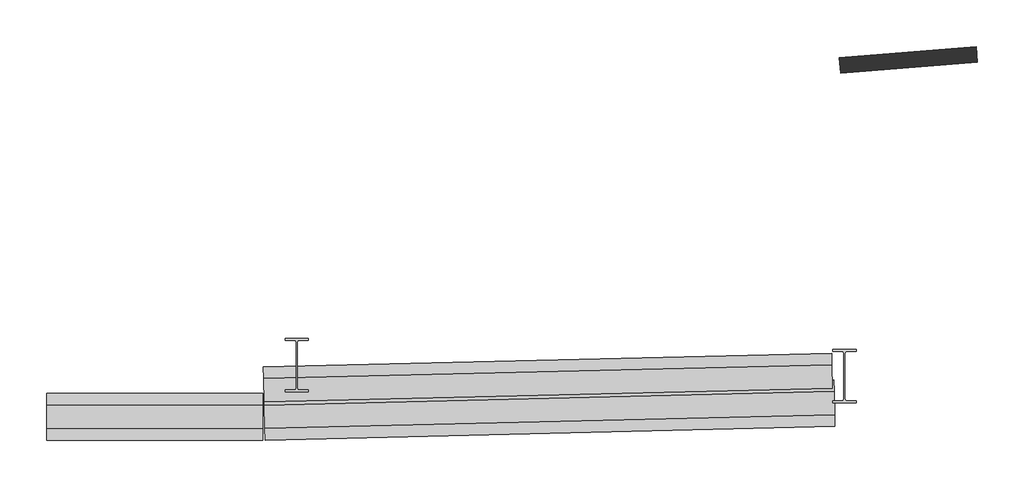
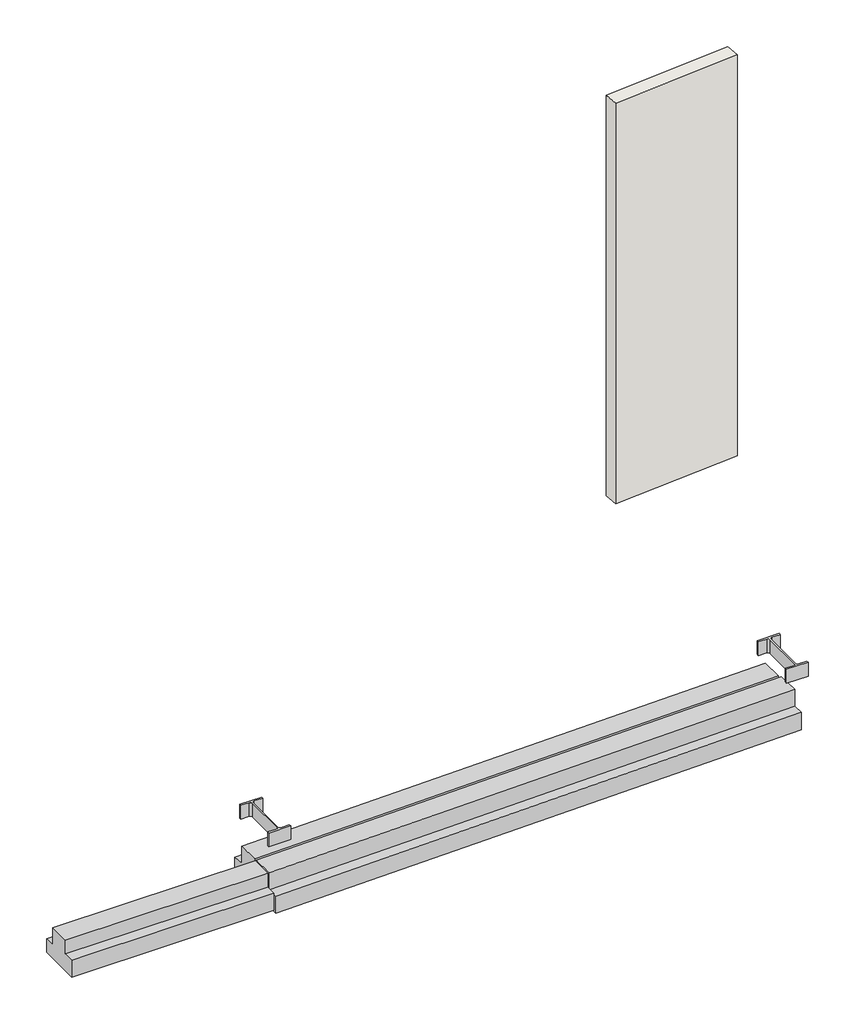
# One storey, part 2 of 3: 3 beams, 2 columns, 1 wall.
"""IFC4 building model written with IfcOpenShell, lengths in millimetres."""

import ifcopenshell
import ifcopenshell.guid

model = None  # the IFC model being written
_history = None  # IfcOwnerHistory: only IFC2X3 demands one
_inside = {}  # id of a spatial element -> (the spatial element, [elements in it])
_under = {}  # id of a project, library or spatial element -> (it, [spatial elements below it])
_declared = {}  # id of a project -> (the project, [libraries it declares])
_typed = {}  # id of a type object -> (the type object, [elements of that type])
_made_of = {}  # id of a material, layer set ... -> (it, [elements and type objects made of it])


def new_model(schema):
    """Start an empty IFC model of exactly this schema.

    Asked for "IFC4X3", IfcOpenShell would pick the latest addendum, in which some entities
    have other attributes; the version numbers below select the first issue.
    IFC2X3 requires an IfcOwnerHistory on every rooted entity: one is made here for all.
    """
    global model, _history
    if schema == "IFC4X3":
        model = ifcopenshell.file(schema_version=(4, 3, 0, 0))
    else:
        model = ifcopenshell.file(schema=schema)
    _inside.clear()
    _under.clear()
    _declared.clear()
    _typed.clear()
    _made_of.clear()
    _history = None
    if model.schema == "IFC2X3":
        org = make("IfcOrganization", Name="unknown")
        user = make(
            "IfcPersonAndOrganization",
            ThePerson=make("IfcPerson", FamilyName="unknown"),
            TheOrganization=org,
        )
        app = make(
            "IfcApplication",
            ApplicationDeveloper=org,
            Version="unknown",
            ApplicationFullName="unknown",
            ApplicationIdentifier="unknown",
        )
        _history = make(
            "IfcOwnerHistory",
            OwningUser=user,
            OwningApplication=app,
            ChangeAction="ADDED",
            CreationDate=0,
        )
    return model


def make(cls, **values):
    """One entity of the class cls with the attributes given. An attribute that is None is left unset."""
    return model.create_entity(
        cls, **{name: value for name, value in values.items() if value is not None}
    )


def rooted(cls, **values):
    """An entity with a GlobalId (a new one), such as an element, a storey or a relation."""
    return make(cls, GlobalId=ifcopenshell.guid.new(), OwnerHistory=_history, **values)


def si_unit(unit_type, name, prefix=None):
    """IfcSIUnit, for example si_unit("LENGTHUNIT", "METRE", prefix="MILLI")."""
    return make("IfcSIUnit", UnitType=unit_type, Prefix=prefix, Name=name)


def assignment(units):
    """IfcUnitAssignment: the units of a project."""
    return None if units is None else make("IfcUnitAssignment", Units=units)


def point(xyz):
    """IfcCartesianPoint."""
    return None if xyz is None else make("IfcCartesianPoint", Coordinates=xyz)


def direction(xyz):
    """IfcDirection."""
    return None if xyz is None else make("IfcDirection", DirectionRatios=xyz)


def frame(location, z_axis=None, x_axis=None):
    """IfcAxis2Placement3D, a coordinate frame: its origin and axes. An axis left out is left unset."""
    return make(
        "IfcAxis2Placement3D",
        Location=point(location),
        Axis=direction(z_axis),
        RefDirection=direction(x_axis),
    )


def frame_2d(location, x_axis=None):
    """IfcAxis2Placement2D, a coordinate frame in the plane: its origin and x axis."""
    return make(
        "IfcAxis2Placement2D", Location=point(location), RefDirection=direction(x_axis)
    )


def origin():
    """The frame at (0, 0, 0) with its axes left unset."""
    return frame((0.0, 0.0, 0.0))


def place(relative_to, where):
    """IfcLocalPlacement: puts the frame where relative to a parent placement (None: the world)."""
    return make(
        "IfcLocalPlacement", PlacementRelTo=relative_to, RelativePlacement=where
    )


def context(
    kind, dimensions, precision=None, world=None, true_north=None, identifier=None
):
    """IfcGeometricRepresentationContext, for example the 3D "Model" context."""
    return make(
        "IfcGeometricRepresentationContext",
        ContextIdentifier=identifier,
        ContextType=kind,
        CoordinateSpaceDimension=dimensions,
        Precision=precision,
        WorldCoordinateSystem=world,
        TrueNorth=true_north,
    )


def project(units=None, contexts=None):
    """IfcProject with its units and contexts."""
    return rooted(
        "IfcProject",
        Name="project",
        RepresentationContexts=contexts,
        UnitsInContext=assignment(units),
    )


def spatial(cls, under=None, at=None, **own):
    """A site, building, storey or space (cls), placed at a placement, below another one or the project."""
    s = rooted(cls, ObjectPlacement=at, **own)
    if under is not None:
        _under.setdefault(under.id(), (under, []))[1].append(s)
    return s


def polyline(points):
    """IfcPolyline through the points."""
    return make("IfcPolyline", Points=[point(p) for p in points])


def circle_curve(where, radius):
    """IfcCircle in the frame where."""
    return make("IfcCircle", Position=where, Radius=radius)


def trimmed(basis, trim1, trim2, sense, master):
    """IfcTrimmedCurve: the piece of a basis curve between two trims."""
    return make(
        "IfcTrimmedCurve",
        BasisCurve=basis,
        Trim1=trim1,
        Trim2=trim2,
        SenseAgreement=sense,
        MasterRepresentation=master,
    )


def segment(curve, same_sense, transition):
    """IfcCompositeCurveSegment."""
    return make(
        "IfcCompositeCurveSegment",
        Transition=transition,
        SameSense=same_sense,
        ParentCurve=curve,
    )


def composite_curve(segments, self_intersect=None):
    """IfcCompositeCurve: segments joined end to end."""
    return make("IfcCompositeCurve", Segments=segments, SelfIntersect=self_intersect)


def outline(outer, holes=None, kind="AREA"):
    """IfcArbitraryClosedProfileDef: a profile drawn as a closed curve; with holes, ...WithVoids."""
    if holes is None:
        return make("IfcArbitraryClosedProfileDef", ProfileType=kind, OuterCurve=outer)
    return make(
        "IfcArbitraryProfileDefWithVoids",
        ProfileType=kind,
        OuterCurve=outer,
        InnerCurves=holes,
    )


def extrude(swept, where, along, depth):
    """IfcExtrudedAreaSolid: the profile swept, set in the frame where, extruded along a direction by depth."""
    return make(
        "IfcExtrudedAreaSolid",
        SweptArea=swept,
        Position=where,
        ExtrudedDirection=direction(along),
        Depth=depth,
    )


def faces_of(points, faces, orient=None, outer=None):
    """IfcFace entities. A face is a list of loops; a loop is a list of indices into points, from 0.

    orient and outer hold one flag for each loop. By default every Orientation is true, the
    first loop of a face is its IfcFaceOuterBound and the others are IfcFaceBound.
    """
    made = []
    for i, loops in enumerate(faces):
        bounds = []
        for j, loop in enumerate(loops):
            is_outer = j == 0 if outer is None else outer[i][j]
            bounds.append(
                make(
                    "IfcFaceOuterBound" if is_outer else "IfcFaceBound",
                    Bound=make("IfcPolyLoop", Polygon=[points[k] for k in loop]),
                    Orientation=True if orient is None else orient[i][j],
                )
            )
        made.append(make("IfcFace", Bounds=bounds))
    return made


def faceted_brep(points, faces, orient=None, outer=None, voids=None):
    """IfcFacetedBrep: a solid bounded by flat faces; with voids (closed shells), ...WithVoids."""
    shared = [point(p) for p in points]
    hull = make("IfcClosedShell", CfsFaces=faces_of(shared, faces, orient, outer))
    if voids is None:
        return make("IfcFacetedBrep", Outer=hull)
    return make(
        "IfcFacetedBrepWithVoids",
        Outer=hull,
        Voids=[
            make(cls, CfsFaces=faces_of(shared, fs, o, b)) for cls, fs, o, b in voids
        ],
    )


def shape(context_of_items, identifier, shape_type, items):
    """IfcShapeRepresentation: the items that make up one representation, for example the "Body"."""
    return make(
        "IfcShapeRepresentation",
        ContextOfItems=context_of_items,
        RepresentationIdentifier=identifier,
        RepresentationType=shape_type,
        Items=items,
    )


def source(mapping_origin, context_of_items, identifier, shape_type, items):
    """IfcRepresentationMap: a shape defined once, which mapped items show again and again."""
    return make(
        "IfcRepresentationMap",
        MappingOrigin=mapping_origin,
        MappedRepresentation=shape(context_of_items, identifier, shape_type, items),
    )


def transform(
    local_origin,
    x_axis=None,
    y_axis=None,
    z_axis=None,
    scale=None,
    scale2=None,
    scale3=None,
    uniform=True,
):
    """IfcCartesianTransformationOperator3D, or its non-uniform kind. x_axis, y_axis, z_axis: its Axis1, 2, 3."""
    if uniform:
        return make(
            "IfcCartesianTransformationOperator3D",
            Axis1=direction(x_axis),
            Axis2=direction(y_axis),
            LocalOrigin=point(local_origin),
            Scale=scale,
            Axis3=direction(z_axis),
        )
    return make(
        "IfcCartesianTransformationOperator3DnonUniform",
        Axis1=direction(x_axis),
        Axis2=direction(y_axis),
        LocalOrigin=point(local_origin),
        Scale=scale,
        Axis3=direction(z_axis),
        Scale2=scale2,
        Scale3=scale3,
    )


def mapped(mapping_source, mapping_target):
    """IfcMappedItem: shows the shape of a source again, moved by a transform."""
    return make(
        "IfcMappedItem", MappingSource=mapping_source, MappingTarget=mapping_target
    )


def made_of(thing, what):
    """Note that an element or type object is made of a material, layer set ...; save() writes the relation."""
    if what is not None:
        _made_of.setdefault(what.id(), (what, []))[1].append(thing)
    return thing


def element(
    cls,
    number,
    at=None,
    inside=None,
    cuts=None,
    type_object=None,
    material=None,
    context=None,
    identifier="Body",
    shape_type=None,
    held_by="IfcProductDefinitionShape",
    body=None,
    shapes=None,
    **own,
):
    """One element of the class cls, such as IfcWall. Its Tag is "e" and its number.

    at: its placement. inside: the storey or other place that contains it. cuts: it is an
    opening in that element (IfcRelVoidsElement). A single representation is given by context,
    identifier, shape_type and body (its items); several are given by shapes. held_by: the class
    of the entity that holds the representations. save() writes the other relations.
    """
    e = rooted(cls, Tag="e%d" % number, ObjectPlacement=at, **own)
    if body is not None:
        shapes = [shape(context, identifier, shape_type, body)]
    if shapes is not None:
        e.Representation = make(held_by, Representations=shapes)
    if inside is not None:
        _inside.setdefault(inside.id(), (inside, []))[1].append(e)
    if cuts is not None:
        rooted(
            "IfcRelVoidsElement", RelatingBuildingElement=cuts, RelatedOpeningElement=e
        )
    if type_object is not None:
        _typed.setdefault(type_object.id(), (type_object, []))[1].append(e)
    return made_of(e, material)


def aggregate(whole, parts):
    """IfcRelAggregates: a whole, such as a stair, and the parts it consists of."""
    return rooted("IfcRelAggregates", RelatingObject=whole, RelatedObjects=parts)


def save(model, path):
    """Write the relations noted so far, then the file.

    IfcRelAggregates (storeys below a building ...), IfcRelContainedInSpatialStructure (elements
    in a storey), IfcRelDefinesByType, IfcRelAssociatesMaterial and IfcRelDeclares: one each for
    every whole, place, type object, material and project.
    """
    for whole, parts in _under.values():
        aggregate(whole, parts)
    for where, things in _inside.values():
        rooted(
            "IfcRelContainedInSpatialStructure",
            RelatedElements=things,
            RelatingStructure=where,
        )
    for kind, things in _typed.values():
        rooted("IfcRelDefinesByType", RelatedObjects=things, RelatingType=kind)
    for what, things in _made_of.values():
        rooted("IfcRelAssociatesMaterial", RelatedObjects=things, RelatingMaterial=what)
    for by, libraries in _declared.values():
        rooted("IfcRelDeclares", RelatingContext=by, RelatedDefinitions=libraries)
    model.write(path)


def precast_inverted_tee_beam_1a250001(model_context):
    return source(origin(), model_context, "Body", "SweptSolid", [
        extrude(outline(polyline([(150.0, 25.0), (300.0, 25.0), (300.0, -225.0), (-300.0, -225.0), (-300.0, -25.0), (-150.0, -25.0), (-150.0, 225.0), (150.0, 225.0), (150.0, 25.0)])), frame((-1380.1390082, 0.0, 0.0), z_axis=(1.0, 0.0, 0.0), x_axis=(0.0, 1.0, 0.0)), (0.0, 0.0, 1.0), 2780.1390082),
    ])


def he700a_8610ff4f(model_context):
    return source(origin(), model_context, "Body", "SweptSolid", [
        extrude(outline(composite_curve([segment(polyline([(150.0, 345.0), (150.0, 318.0), (34.25, 318.0)]), True, "CONTINUOUS"), segment(trimmed(circle_curve(frame_2d((34.25, 291.0)), 27.0), [point((34.25, 318.0))], [point((7.25, 291.0))], True, "CARTESIAN"), True, "CONTINUOUS"), segment(polyline([(7.25, 291.0), (7.25, -291.0)]), True, "CONTINUOUS"), segment(trimmed(circle_curve(frame_2d((34.25, -291.0)), 27.0), [point((7.25, -291.0))], [point((34.25, -318.0))], True, "CARTESIAN"), True, "CONTINUOUS"), segment(polyline([(34.25, -318.0), (150.0, -318.0), (150.0, -345.0), (-150.0, -345.0), (-150.0, -318.0), (-34.25, -318.0)]), True, "CONTINUOUS"), segment(trimmed(circle_curve(frame_2d((-34.25, -291.0)), 27.0), [point((-34.25, -318.0))], [point((-7.25, -291.0))], True, "CARTESIAN"), True, "CONTINUOUS"), segment(polyline([(-7.25, -291.0), (-7.25, 291.0)]), True, "CONTINUOUS"), segment(trimmed(circle_curve(frame_2d((-34.25, 291.0)), 27.0), [point((-7.25, 291.0))], [point((-34.25, 318.0))], True, "CARTESIAN"), True, "CONTINUOUS"), segment(polyline([(-34.25, 318.0), (-150.0, 318.0), (-150.0, 345.0), (150.0, 345.0)]), True, "CONTINUOUS")], self_intersect=False)), frame((0.0, 0.0, -8200.0), z_axis=(0.0, 0.0, 1.0), x_axis=(1.0, 0.0, 0.0)), (0.0, 0.0, 1.0), 200.0),
    ])


model = new_model("IFC4")

# Units and contexts
model_context = context("Model", 3, world=origin())
ifc_project = project(units=[si_unit("LENGTHUNIT", "METRE", prefix="MILLI")], contexts=[model_context])

# Site, building, storey
site = spatial("IfcSite", under=ifc_project)
building = spatial("IfcBuilding", under=site)
storey = spatial("IfcBuildingStorey", under=building, Elevation=-8200.0)

# Beams
placement = place(None, origin())
element("IfcBeam", 1, ObjectType="Precast Inverted Tee Beam", at=placement, inside=storey, context=model_context, shape_type="SweptSolid", body=[
    extrude(outline(polyline([(150.0, 0.0), (150.0, -250.0), (0.0, -250.0), (0.0, -500.0), (-300.0, -500.0), (-300.0, -250.0), (-450.0, -250.0), (-450.0, 0.0), (150.0, 0.0)])), frame((-1918.2459388, 1142.4002566, -8700.0), z_axis=(0.9997150716088726, 0.023869972728654175, 0.0), x_axis=(0.023869972728654175, -0.9997150716088726, 0.0)), (0.0, 0.0, 1.0), 7321.5723576),
])
element("IfcBeam", 2, ObjectType="Precast Inverted Tee Beam", at=placement, inside=storey, context=model_context, shape_type="SweptSolid", body=[
    extrude(outline(polyline([(150.0000001, 0.0), (150.0000001, -250.0), (0.0, -250.0), (0.0, -500.0), (-300.0, -500.0), (-300.0, -250.0), (-450.0, -250.0), (-450.0, 0.0), (150.0000001, 0.0)])), frame((-1924.2832101, 1483.0821888, -8700.0), z_axis=(0.9997150716088726, 0.023869972728654175, 0.0), x_axis=(0.023869972728654175, -0.9997150716088726, 0.0)), (0.0, 0.0, 1.0), 7299.5294384),
])
precast_inverted_tee_beam_shape = precast_inverted_tee_beam_1a250001(model_context)
element("IfcBeam", 3, ObjectType="Precast Inverted Tee Beam", at=placement, inside=storey, context=model_context, shape_type="MappedRepresentation", body=[
    mapped(precast_inverted_tee_beam_shape, transform((-3321.8228161, 1292.3576037, -8425.0), x_axis=(-1.0, 0.0, 0.0), y_axis=(0.0, -1.0, 0.0), z_axis=(0.0, 0.0, 1.0))),
])

# Columns
he700a_shape = he700a_8610ff4f(model_context)
element("IfcColumn", 4, ObjectType="HE700A", at=placement, inside=storey, context=model_context, shape_type="MappedRepresentation", body=[
    mapped(he700a_shape, transform((-1507.1079309, 1955.8187826, 0.0), x_axis=(1.0, 0.0, 0.0), y_axis=(0.0, 1.0, 0.0), z_axis=(0.0, 0.0, 1.0))),
])
element("IfcColumn", 5, ObjectType="HE700A", at=placement, inside=storey, context=model_context, shape_type="MappedRepresentation", body=[
    mapped(he700a_shape, transform((5526.4359405, 1815.5510207, 0.0), x_axis=(1.0, 0.0, 0.0), y_axis=(0.0, 1.0, 0.0), z_axis=(0.0, 0.0, 1.0))),
])

# Wall
element("IfcWall", 6, ObjectType="Generico - 20 cm", at=placement, inside=storey, context=model_context, shape_type="Brep", body=[
    faceted_brep([(5479.1101672, 5710.5752451, -8200.0), (7236.2854412, 5853.8865714, -8200.0), (7236.2854412, 5853.8865714, -2377.0655995), (5479.1101672, 5710.5752451, -2377.0655995), (5462.6595896, 5909.8976372, -8200.0), (5462.6595896, 5909.8976372, -2409.3878511), (5462.6595896, 5909.8976372, -2377.0655995), (7220.0278642, 6053.2247042, -2377.0655995), (7220.0278642, 6053.2247042, -8200.0)], [[[0, 1, 2, 3]], [[4, 5, 6, 7, 8]], [[1, 0, 4, 8]], [[2, 1, 8, 7]], [[3, 2, 7, 6]], [[0, 3, 6, 5, 4]]]),
])

save(model, "model.ifc")
